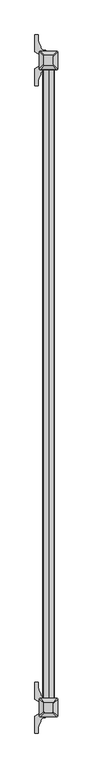
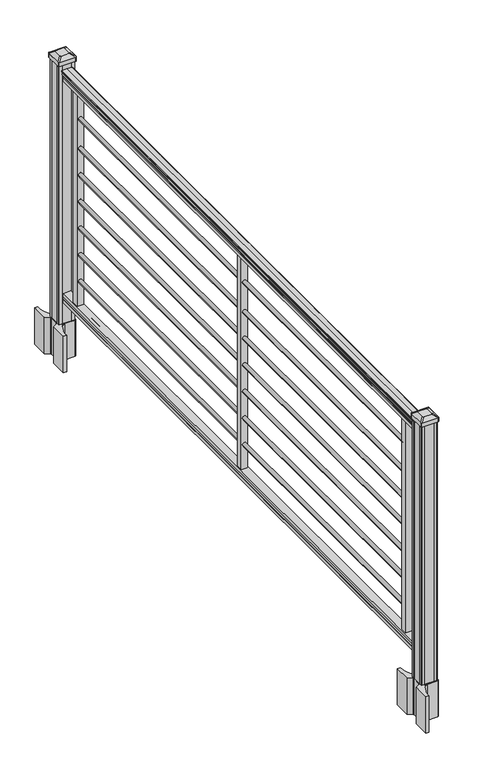
"""IFC4 building model written with IfcOpenShell, lengths in millimetres: railing geometry."""

from ifc_helpers import new_model, si_unit, point, frame, frame_2d, origin, origin_with_axes, place, context, project, spatial, polyline, circle_curve, trimmed, segment, composite_curve, outline, extrude, source, transform, mapped, element, save
from ifc_brep_helpers import plane_surface, extruded_surface, advanced_brep


def railing_12c64a03(model_context):
    return source(origin(), model_context, "Body", "SolidModel", [
        extrude(outline(composite_curve([segment(polyline([(1043.8143297, 3404.2080205), (1045.702412, 3404.2080205)]), True, "CONTINUOUS"), segment(trimmed(circle_curve(frame_2d((1051.4606383, 3397.8932672)), 8.545951), [point((1045.702412, 3404.2080205))], [point((1047.2646695, 3405.3382068))], False, "CARTESIAN"), True, "CONTINUOUS"), segment(trimmed(circle_curve(frame_2d((1050.8736577, 3398.3303302)), 7.882584), [point((1047.2646695, 3405.3382068))], [point((1054.4826458, 3405.3382068))], False, "CARTESIAN"), True, "CONTINUOUS"), segment(trimmed(circle_curve(frame_2d((1056.7212527, 3408.8436543)), 4.1592695), [point((1054.4826458, 3405.3382068))], [point((1056.9160812, 3404.6889504))], True, "CARTESIAN"), True, "CONTINUOUS"), segment(trimmed(circle_curve(frame_2d((1056.6608864, 3410.1309609)), 5.4479907), [point((1056.9160812, 3404.6889504))], [point((1061.2462083, 3407.1889504))], True, "CARTESIAN"), True, "CONTINUOUS"), segment(trimmed(circle_curve(frame_2d((1061.243395, 3408.8978025)), 1.7088543), [point((1061.2462083, 3407.1889504))], [point((1062.9257972, 3408.5982929))], True, "CARTESIAN"), True, "CONTINUOUS"), segment(trimmed(circle_curve(frame_2d((1064.0305318, 3407.2809024)), 1.7192895), [point((1062.9257972, 3408.5982929))], [point((1064.0305318, 3409.0001919))], False, "CARTESIAN"), True, "CONTINUOUS"), segment(polyline([(1064.0305318, 3409.0001919), (1065.3708158, 3409.0001918)]), True, "CONTINUOUS"), segment(trimmed(circle_curve(frame_2d((1065.3708158, 3407.4467446)), 1.5534472), [point((1065.3708158, 3409.0001918))], [point((1066.924263, 3407.4467446))], False, "CARTESIAN"), True, "CONTINUOUS"), segment(polyline([(1066.924263, 3407.4467446), (1066.924263, 3386.7751918), (1066.924263, 3366.103639)]), True, "CONTINUOUS"), segment(trimmed(circle_curve(frame_2d((1065.3708158, 3366.103639)), 1.5534472), [point((1066.924263, 3366.103639))], [point((1065.3708158, 3364.5501918))], False, "CARTESIAN"), True, "CONTINUOUS"), segment(polyline([(1065.3708158, 3364.5501918), (1064.0305318, 3364.5501918)]), True, "CONTINUOUS"), segment(trimmed(circle_curve(frame_2d((1064.0305318, 3366.2694812)), 1.7192895), [point((1064.0305318, 3364.5501918))], [point((1062.9257972, 3364.9520907))], False, "CARTESIAN"), True, "CONTINUOUS"), segment(trimmed(circle_curve(frame_2d((1061.243395, 3364.6525811)), 1.7088543), [point((1062.9257972, 3364.9520907))], [point((1061.2462083, 3366.3614332))], True, "CARTESIAN"), True, "CONTINUOUS"), segment(trimmed(circle_curve(frame_2d((1056.6608864, 3363.4194227)), 5.4479907), [point((1061.2462083, 3366.3614332))], [point((1056.9160812, 3368.8614332))], True, "CARTESIAN"), True, "CONTINUOUS"), segment(trimmed(circle_curve(frame_2d((1056.7212527, 3364.7067292)), 4.1592695), [point((1056.9160812, 3368.8614332))], [point((1054.4826458, 3368.2121768))], True, "CARTESIAN"), True, "CONTINUOUS"), segment(trimmed(circle_curve(frame_2d((1050.8736577, 3375.2200534)), 7.882584), [point((1054.4826458, 3368.2121768))], [point((1047.2646695, 3368.2121768))], False, "CARTESIAN"), True, "CONTINUOUS"), segment(trimmed(circle_curve(frame_2d((1051.4606383, 3375.6571163)), 8.545951), [point((1047.2646695, 3368.2121768))], [point((1045.702412, 3369.3423631))], False, "CARTESIAN"), True, "CONTINUOUS"), segment(polyline([(1045.702412, 3369.3423631), (1043.8143297, 3369.3423631)]), True, "CONTINUOUS"), segment(trimmed(circle_curve(frame_2d((1043.8143297, 3370.6292774)), 1.2869144), [point((1043.8143297, 3369.3423631))], [point((1043.8143297, 3371.9161918))], False, "CARTESIAN"), True, "CONTINUOUS"), segment(polyline([(1043.8143297, 3371.9161918), (1033.3148283, 3371.9161918), (1032.2988283, 3370.9001918), (1019.81, 3370.9001918), (1019.81, 3402.6501918), (1032.141013, 3402.6501918), (1033.157013, 3401.6341918), (1043.8143297, 3401.6341918)]), True, "CONTINUOUS"), segment(trimmed(circle_curve(frame_2d((1043.8143297, 3402.9211062)), 1.2869144), [point((1043.8143297, 3401.6341918))], [point((1043.8143297, 3404.2080205))], False, "CARTESIAN"), True, "CONTINUOUS")], self_intersect=False)), frame((0.0, -141490.2908968, 0.0), z_axis=(0.0, 1.0, 0.0), x_axis=(0.0, 0.0, 1.0)), (0.0, 0.0, 1.0), 2438.4),
        extrude(outline(polyline([(100.9461976, 3402.6876787), (102.2466183, 3401.6716787), (112.6061717, 3401.6716787), (113.9544492, 3402.6876787), (126.4878781, 3402.6876787), (126.4878781, 3370.9376787), (113.9378024, 3370.9376787), (112.5895248, 3371.9536787), (102.2778283, 3371.9536787), (100.9295508, 3370.9376787), (88.392, 3370.9376787), (88.392, 3402.6876787), (100.9461976, 3402.6876787)])), frame((0.0, -141490.2908968, 0.0), z_axis=(0.0, 1.0, 0.0), x_axis=(0.0, 0.0, 1.0)), (0.0, 0.0, 1.0), 2438.4),
        extrude(outline(polyline([(3399.4751918, -139143.8388968), (3374.0751918, -139143.8388968), (3374.0751918, -139118.4388968), (3399.4751918, -139118.4388968), (3399.4751918, -139143.8388968)])), frame((0.0, 0.0, 126.4878781), z_axis=(0.0, 0.0, 1.0), x_axis=(1.0, 0.0, 0.0)), (0.0, 0.0, 1.0), 893.3221219),
        extrude(outline(composite_curve([segment(trimmed(circle_curve(frame_2d((913.5068781, 3386.4650299)), 8.001), [point((913.5068781, 3378.4640299))], [point((913.5068781, 3394.4660299))], False, "CARTESIAN"), True, "CONTINUOUS"), segment(trimmed(circle_curve(frame_2d((913.5068781, 3386.4650299)), 8.001), [point((913.5068781, 3394.4660299))], [point((913.5068781, 3378.4640299))], False, "CARTESIAN"), True, "CONTINUOUS")], self_intersect=False)), frame((0.0, -140256.3588968, 0.0), z_axis=(0.0, 1.0, 0.0), x_axis=(0.0, 0.0, 1.0)), (0.0, 0.0, 1.0), 1117.6),
        extrude(outline(composite_curve([segment(trimmed(circle_curve(frame_2d((789.0468781, 3386.4650299)), 8.001), [point((789.0468781, 3378.4640299))], [point((789.0468781, 3394.4660299))], False, "CARTESIAN"), True, "CONTINUOUS"), segment(trimmed(circle_curve(frame_2d((789.0468781, 3386.4650299)), 8.001), [point((789.0468781, 3394.4660299))], [point((789.0468781, 3378.4640299))], False, "CARTESIAN"), True, "CONTINUOUS")], self_intersect=False)), frame((0.0, -140256.3588968, 0.0), z_axis=(0.0, 1.0, 0.0), x_axis=(0.0, 0.0, 1.0)), (0.0, 0.0, 1.0), 1117.6),
        extrude(outline(composite_curve([segment(trimmed(circle_curve(frame_2d((677.2868781, 3386.4650299)), 8.001), [point((677.2868781, 3378.4640299))], [point((677.2868781, 3394.4660299))], False, "CARTESIAN"), True, "CONTINUOUS"), segment(trimmed(circle_curve(frame_2d((677.2868781, 3386.4650299)), 8.001), [point((677.2868781, 3394.4660299))], [point((677.2868781, 3378.4640299))], False, "CARTESIAN"), True, "CONTINUOUS")], self_intersect=False)), frame((0.0, -140256.3588968, 0.0), z_axis=(0.0, 1.0, 0.0), x_axis=(0.0, 0.0, 1.0)), (0.0, 0.0, 1.0), 1117.6),
        extrude(outline(composite_curve([segment(trimmed(circle_curve(frame_2d((565.5268781, 3386.4650299)), 8.001), [point((565.5268781, 3378.4640299))], [point((565.5268781, 3394.4660299))], False, "CARTESIAN"), True, "CONTINUOUS"), segment(trimmed(circle_curve(frame_2d((565.5268781, 3386.4650299)), 8.001), [point((565.5268781, 3394.4660299))], [point((565.5268781, 3378.4640299))], False, "CARTESIAN"), True, "CONTINUOUS")], self_intersect=False)), frame((0.0, -140256.3588968, 0.0), z_axis=(0.0, 1.0, 0.0), x_axis=(0.0, 0.0, 1.0)), (0.0, 0.0, 1.0), 1117.6),
        extrude(outline(composite_curve([segment(trimmed(circle_curve(frame_2d((453.7668781, 3386.4650299)), 8.001), [point((453.7668781, 3378.4640299))], [point((453.7668781, 3394.4660299))], False, "CARTESIAN"), True, "CONTINUOUS"), segment(trimmed(circle_curve(frame_2d((453.7668781, 3386.4650299)), 8.001), [point((453.7668781, 3394.4660299))], [point((453.7668781, 3378.4640299))], False, "CARTESIAN"), True, "CONTINUOUS")], self_intersect=False)), frame((0.0, -140256.3588968, 0.0), z_axis=(0.0, 1.0, 0.0), x_axis=(0.0, 0.0, 1.0)), (0.0, 0.0, 1.0), 1117.6),
        extrude(outline(composite_curve([segment(trimmed(circle_curve(frame_2d((342.0068781, 3386.4650299)), 8.001), [point((342.0068781, 3378.4640299))], [point((342.0068781, 3394.4660299))], False, "CARTESIAN"), True, "CONTINUOUS"), segment(trimmed(circle_curve(frame_2d((342.0068781, 3386.4650299)), 8.001), [point((342.0068781, 3394.4660299))], [point((342.0068781, 3378.4640299))], False, "CARTESIAN"), True, "CONTINUOUS")], self_intersect=False)), frame((0.0, -140256.3588968, 0.0), z_axis=(0.0, 1.0, 0.0), x_axis=(0.0, 0.0, 1.0)), (0.0, 0.0, 1.0), 1117.6),
        extrude(outline(composite_curve([segment(trimmed(circle_curve(frame_2d((230.2468781, 3386.4650299)), 8.001), [point((230.2468781, 3378.4640299))], [point((230.2468781, 3394.4660299))], False, "CARTESIAN"), True, "CONTINUOUS"), segment(trimmed(circle_curve(frame_2d((230.2468781, 3386.4650299)), 8.001), [point((230.2468781, 3394.4660299))], [point((230.2468781, 3378.4640299))], False, "CARTESIAN"), True, "CONTINUOUS")], self_intersect=False)), frame((0.0, -140256.3588968, 0.0), z_axis=(0.0, 1.0, 0.0), x_axis=(0.0, 0.0, 1.0)), (0.0, 0.0, 1.0), 1117.6),
        extrude(outline(polyline([(3399.4751918, -140276.6788968), (3374.0751918, -140276.6788968), (3374.0751918, -140251.2788968), (3399.4751918, -140251.2788968), (3399.4751918, -140276.6788968)])), frame((0.0, 0.0, 126.4878781), z_axis=(0.0, 0.0, 1.0), x_axis=(1.0, 0.0, 0.0)), (0.0, 0.0, 1.0), 893.3221219),
        extrude(outline(composite_curve([segment(trimmed(circle_curve(frame_2d((913.5068781, 3386.4650299)), 8.001), [point((913.5068781, 3378.4640299))], [point((913.5068781, 3394.4660299))], False, "CARTESIAN"), True, "CONTINUOUS"), segment(trimmed(circle_curve(frame_2d((913.5068781, 3386.4650299)), 8.001), [point((913.5068781, 3394.4660299))], [point((913.5068781, 3378.4640299))], False, "CARTESIAN"), True, "CONTINUOUS")], self_intersect=False)), frame((0.0, -141389.1988968, 0.0), z_axis=(0.0, 1.0, 0.0), x_axis=(0.0, 0.0, 1.0)), (0.0, 0.0, 1.0), 1117.6),
        extrude(outline(composite_curve([segment(trimmed(circle_curve(frame_2d((789.0468781, 3386.4650299)), 8.001), [point((789.0468781, 3378.4640299))], [point((789.0468781, 3394.4660299))], False, "CARTESIAN"), True, "CONTINUOUS"), segment(trimmed(circle_curve(frame_2d((789.0468781, 3386.4650299)), 8.001), [point((789.0468781, 3394.4660299))], [point((789.0468781, 3378.4640299))], False, "CARTESIAN"), True, "CONTINUOUS")], self_intersect=False)), frame((0.0, -141389.1988968, 0.0), z_axis=(0.0, 1.0, 0.0), x_axis=(0.0, 0.0, 1.0)), (0.0, 0.0, 1.0), 1117.6),
        extrude(outline(composite_curve([segment(trimmed(circle_curve(frame_2d((677.2868781, 3386.4650299)), 8.001), [point((677.2868781, 3378.4640299))], [point((677.2868781, 3394.4660299))], False, "CARTESIAN"), True, "CONTINUOUS"), segment(trimmed(circle_curve(frame_2d((677.2868781, 3386.4650299)), 8.001), [point((677.2868781, 3394.4660299))], [point((677.2868781, 3378.4640299))], False, "CARTESIAN"), True, "CONTINUOUS")], self_intersect=False)), frame((0.0, -141389.1988968, 0.0), z_axis=(0.0, 1.0, 0.0), x_axis=(0.0, 0.0, 1.0)), (0.0, 0.0, 1.0), 1117.6),
        extrude(outline(composite_curve([segment(trimmed(circle_curve(frame_2d((565.5268781, 3386.4650299)), 8.001), [point((565.5268781, 3378.4640299))], [point((565.5268781, 3394.4660299))], False, "CARTESIAN"), True, "CONTINUOUS"), segment(trimmed(circle_curve(frame_2d((565.5268781, 3386.4650299)), 8.001), [point((565.5268781, 3394.4660299))], [point((565.5268781, 3378.4640299))], False, "CARTESIAN"), True, "CONTINUOUS")], self_intersect=False)), frame((0.0, -141389.1988968, 0.0), z_axis=(0.0, 1.0, 0.0), x_axis=(0.0, 0.0, 1.0)), (0.0, 0.0, 1.0), 1117.6),
        extrude(outline(composite_curve([segment(trimmed(circle_curve(frame_2d((453.7668781, 3386.4650299)), 8.001), [point((453.7668781, 3378.4640299))], [point((453.7668781, 3394.4660299))], False, "CARTESIAN"), True, "CONTINUOUS"), segment(trimmed(circle_curve(frame_2d((453.7668781, 3386.4650299)), 8.001), [point((453.7668781, 3394.4660299))], [point((453.7668781, 3378.4640299))], False, "CARTESIAN"), True, "CONTINUOUS")], self_intersect=False)), frame((0.0, -141389.1988968, 0.0), z_axis=(0.0, 1.0, 0.0), x_axis=(0.0, 0.0, 1.0)), (0.0, 0.0, 1.0), 1117.6),
        extrude(outline(composite_curve([segment(trimmed(circle_curve(frame_2d((342.0068781, 3386.4650299)), 8.001), [point((342.0068781, 3378.4640299))], [point((342.0068781, 3394.4660299))], False, "CARTESIAN"), True, "CONTINUOUS"), segment(trimmed(circle_curve(frame_2d((342.0068781, 3386.4650299)), 8.001), [point((342.0068781, 3394.4660299))], [point((342.0068781, 3378.4640299))], False, "CARTESIAN"), True, "CONTINUOUS")], self_intersect=False)), frame((0.0, -141389.1988968, 0.0), z_axis=(0.0, 1.0, 0.0), x_axis=(0.0, 0.0, 1.0)), (0.0, 0.0, 1.0), 1117.6),
        extrude(outline(composite_curve([segment(trimmed(circle_curve(frame_2d((230.2468781, 3386.4650299)), 8.001), [point((230.2468781, 3378.4640299))], [point((230.2468781, 3394.4660299))], False, "CARTESIAN"), True, "CONTINUOUS"), segment(trimmed(circle_curve(frame_2d((230.2468781, 3386.4650299)), 8.001), [point((230.2468781, 3394.4660299))], [point((230.2468781, 3378.4640299))], False, "CARTESIAN"), True, "CONTINUOUS")], self_intersect=False)), frame((0.0, -141389.1988968, 0.0), z_axis=(0.0, 1.0, 0.0), x_axis=(0.0, 0.0, 1.0)), (0.0, 0.0, 1.0), 1117.6),
        extrude(outline(polyline([(3399.4751918, -141409.5188968), (3374.0751918, -141409.5188968), (3374.0751918, -141384.1188968), (3399.4751918, -141384.1188968), (3399.4751918, -141409.5188968)])), frame((0.0, 0.0, 126.4878781), z_axis=(0.0, 0.0, 1.0), x_axis=(1.0, 0.0, 0.0)), (0.0, 0.0, 1.0), 893.3221219),
        extrude(outline(composite_curve([segment(polyline([(3419.8269418, -139037.2729917), (3421.4144418, -139038.0349917), (3421.4144418, -139051.5659198), (3418.2002147, -139054.7801468), (3366.5195439, -139054.7801468), (3366.5195439, -139055.7008968), (3370.8698751, -139055.7008968), (3370.8698751, -139057.1551515), (3365.7853454, -139057.1551515), (3365.7853454, -139058.4391753), (3373.5760575, -139058.4391753)]), True, "CONTINUOUS"), segment(trimmed(circle_curve(frame_2d((3373.5760575, -139075.1823852)), 16.7432099), [point((3373.5760575, -139058.4391753))], [point((3356.9539352, -139073.1723785))], True, "CARTESIAN"), True, "CONTINUOUS"), segment(polyline([(3356.9539352, -139073.1723785), (3349.238491, -139090.207717)]), True, "CONTINUOUS"), segment(trimmed(circle_curve(frame_2d((3394.3392543, -139106.4797666)), 47.9464123), [point((3349.238491, -139090.207717))], [point((3346.392842, -139106.4797666))], True, "CARTESIAN"), True, "CONTINUOUS"), segment(polyline([(3346.392842, -139106.4797666), (3346.392842, -139118.4885062), (3334.1892543, -139118.4885062), (3334.1892543, -139053.1926468), (3352.1359418, -139041.6162305), (3352.1359418, -139038.0349917), (3353.7234418, -139037.2729917), (3353.7234418, -139003.008802), (3352.1359418, -139002.246802), (3352.1359418, -138998.6655632), (3334.1892543, -138987.0891468), (3334.1892543, -138921.7932875), (3346.392842, -138921.7932875), (3346.392842, -138933.802027)]), True, "CONTINUOUS"), segment(trimmed(circle_curve(frame_2d((3394.3392543, -138933.802027)), 47.9464123), [point((3346.392842, -138933.802027))], [point((3349.238491, -138950.0740767))], True, "CARTESIAN"), True, "CONTINUOUS"), segment(polyline([(3349.238491, -138950.0740767), (3356.9539352, -138967.1094151)]), True, "CONTINUOUS"), segment(trimmed(circle_curve(frame_2d((3373.5760575, -138965.0994085)), 16.7432099), [point((3356.9539352, -138967.1094151))], [point((3373.5760575, -138981.8426183))], True, "CARTESIAN"), True, "CONTINUOUS"), segment(polyline([(3373.5760575, -138981.8426183), (3375.2433298, -138981.8426183), (3375.2433298, -138983.1266421), (3370.8698751, -138983.1266421), (3370.8698751, -138984.5808968), (3366.5195439, -138984.5808968), (3366.5195439, -138985.5016468), (3418.2002147, -138985.5016468), (3421.4144418, -138988.7158739), (3421.4144418, -139002.246802), (3419.8269418, -139003.008802), (3419.8269418, -139037.2729917)]), True, "CONTINUOUS")], self_intersect=False), holes=[polyline([(3355.0251918, -138989.9783968), (3355.0251918, -139050.3033968), (3356.6126918, -139051.8908968), (3384.0119744, -139051.8908968), (3416.9376918, -139051.8908968), (3418.5251918, -139050.3033968), (3418.5251918, -138989.9783968), (3416.9376918, -138988.3908968), (3384.0119744, -138988.3908968), (3356.6126918, -138988.3908968), (3355.0251918, -138989.9783968)])]), frame((0.0, 0.0, -152.4), z_axis=(0.0, 0.0, 1.0), x_axis=(1.0, 0.0, 0.0)), (0.0, 0.0, 1.0), 152.4),
        advanced_brep(
        [(3370.9001918, -139039.1908968, 1118.235), (3402.6501918, -139039.1908968, 1118.235), (3405.8251918, -139036.0158968, 1118.235), (3405.8251918, -139004.2658968, 1118.235), (3402.6501918, -139001.0908968, 1118.235), (3370.9001918, -139001.0908968, 1118.235), (3367.7251918, -139004.2658968, 1118.235), (3367.7251918, -139036.0158968, 1118.235), (3354.3901918, -139055.7008968, 1106.932), (3351.2151918, -139052.5258968, 1106.932), (3351.2151918, -138987.7558968, 1106.932), (3354.3901918, -138984.5808968, 1106.932), (3419.1601918, -138984.5808968, 1106.932), (3422.3351918, -138987.7558968, 1106.932), (3422.3351918, -139052.5258968, 1106.932), (3419.1601918, -139055.7008968, 1106.932)],
        [
            (0, 1),
            (1, 2, circle_curve(frame((3402.6501918, -139036.0158968, 1118.235), z_axis=(0.0, 0.0, 1.0), x_axis=(0.0, 1.0, 0.0)), 3.175)),
            (2, 3),
            (3, 4, circle_curve(frame((3402.6501918, -139004.2658968, 1118.235), z_axis=(0.0, 0.0, 1.0), x_axis=(0.0, 1.0, 0.0)), 3.175)),
            (4, 5),
            (5, 6, circle_curve(frame((3370.9001918, -139004.2658968, 1118.235), z_axis=(0.0, 0.0, 1.0), x_axis=(0.0, 1.0, 0.0)), 3.175)),
            (6, 7),
            (7, 0, circle_curve(frame((3370.9001918, -139036.0158968, 1118.235), z_axis=(0.0, 0.0, 1.0), x_axis=(0.0, 1.0, 0.0)), 3.175)),
            (8, 9, circle_curve(frame((3354.3901918, -139052.5258968, 1106.932), z_axis=(0.0, 0.0, -1.0), x_axis=(0.0, 1.0, 0.0)), 3.175)),
            (9, 10),
            (10, 11, circle_curve(frame((3354.3901918, -138987.7558968, 1106.932), z_axis=(0.0, 0.0, -1.0), x_axis=(0.0, 1.0, 0.0)), 3.175)),
            (11, 12),
            (12, 13, circle_curve(frame((3419.1601918, -138987.7558968, 1106.932), z_axis=(0.0, 0.0, -1.0), x_axis=(0.0, 1.0, 0.0)), 3.175)),
            (13, 14),
            (14, 15, circle_curve(frame((3419.1601918, -139052.5258968, 1106.932), z_axis=(0.0, 0.0, -1.0), x_axis=(0.0, 1.0, 0.0)), 3.175)),
            (15, 8),
            (8, 0),
            (7, 9),
            (6, 10),
            (5, 11),
            (4, 12),
            (3, 13),
            (2, 14),
            (1, 15),
        ],
        [
            plane_surface(frame((3386.7751918, -139020.1408968, 1118.235), z_axis=(0.0, 0.0, 1.0), x_axis=(-1.0, 0.0, 0.0))),
            plane_surface(frame((3386.7751918, -139020.1408968, 1106.932), z_axis=(0.0, 0.0, -1.0), x_axis=(-1.0, 0.0, 0.0))),
            extruded_surface(trimmed(circle_curve(frame((3370.9001918, -139036.0158968, 1118.235), z_axis=(0.0, 0.0, -1.0), x_axis=(0.0, 1.0, 0.0)), 3.175), [point((3370.9001918, -139039.1908968, 1118.235))], [point((3367.7251918, -139036.0158968, 1118.235))], True, "CARTESIAN"), (-16.509999999999764, -16.510000000009313, -11.302999999999884), 25.940663233624097),
            plane_surface(frame((3351.2151918, -139020.1408968, 1106.932), z_axis=(-0.5649114395471265, 0.0, 0.8251515409116033), x_axis=(0.0, 1.0, 0.0))),
            extruded_surface(trimmed(circle_curve(frame((3370.9001918, -139004.2658968, 1118.235), z_axis=(0.0, 0.0, -1.0), x_axis=(0.0, 1.0, 0.0)), 3.175), [point((3367.7251918, -139004.2658968, 1118.235))], [point((3370.9001918, -139001.0908968, 1118.235))], True, "CARTESIAN"), (-16.509999999999764, 16.510000000009313, -11.302999999999884), 25.940663233624097),
            plane_surface(frame((3386.7751918, -138984.5808968, 1106.932), z_axis=(0.0, 0.564911439547091, 0.8251515409116277), x_axis=(1.0, 0.0, 0.0))),
            extruded_surface(trimmed(circle_curve(frame((3402.6501918, -139004.2658968, 1118.235), z_axis=(0.0, 0.0, -1.0), x_axis=(0.0, 1.0, 0.0)), 3.175), [point((3402.6501918, -139001.0908968, 1118.235))], [point((3405.8251918, -139004.2658968, 1118.235))], True, "CARTESIAN"), (16.51000000000022, 16.510000000009313, -11.302999999999884), 25.940663233624388),
            plane_surface(frame((3422.3351918, -139020.1408968, 1106.932), z_axis=(0.5649114395470568, 0.0, 0.825151540911651), x_axis=(0.0, -1.0, 0.0))),
            extruded_surface(trimmed(circle_curve(frame((3402.6501918, -139036.0158968, 1118.235), z_axis=(0.0, 0.0, -1.0), x_axis=(0.0, 1.0, 0.0)), 3.175), [point((3405.8251918, -139036.0158968, 1118.235))], [point((3402.6501918, -139039.1908968, 1118.235))], True, "CARTESIAN"), (16.51000000000022, -16.510000000009313, -11.302999999999884), 25.940663233624388),
            plane_surface(frame((3386.7751918, -139055.7008968, 1106.932), z_axis=(0.0, -0.5649114395471048, 0.8251515409116182), x_axis=(-1.0, 0.0, 0.0))),
        ],
        [
            (0, [[1, 2, 3, 4, 5, 6, 7, 8]]),
            (1, [[9, 10, 11, 12, 13, 14, 15, 16]]),
            (2, [[17, -8, 18, -9]]),
            (3, [[-18, -7, 19, -10]]),
            (4, [[-19, -6, 20, -11]]),
            (5, [[-20, -5, 21, -12]]),
            (6, [[-21, -4, 22, -13]]),
            (7, [[-22, -3, 23, -14]]),
            (8, [[-23, -2, 24, -15]]),
            (9, [[-24, -1, -17, -16]]),
        ],
    ),
        extrude(outline(composite_curve([segment(trimmed(circle_curve(frame_2d((3354.3901918, -139052.5258968)), 3.175), [point((3354.3901918, -139055.7008968))], [point((3351.2151918, -139052.5258968))], False, "CARTESIAN"), True, "CONTINUOUS"), segment(polyline([(3351.2151918, -139052.5258968), (3351.2151918, -138987.7558968)]), True, "CONTINUOUS"), segment(trimmed(circle_curve(frame_2d((3354.3901918, -138987.7558968)), 3.175), [point((3351.2151918, -138987.7558968))], [point((3354.3901918, -138984.5808968))], False, "CARTESIAN"), True, "CONTINUOUS"), segment(polyline([(3354.3901918, -138984.5808968), (3419.1601918, -138984.5808968)]), True, "CONTINUOUS"), segment(trimmed(circle_curve(frame_2d((3419.1601918, -138987.7558968)), 3.175), [point((3419.1601918, -138984.5808968))], [point((3422.3351918, -138987.7558968))], False, "CARTESIAN"), True, "CONTINUOUS"), segment(polyline([(3422.3351918, -138987.7558968), (3422.3351918, -139052.5258968)]), True, "CONTINUOUS"), segment(trimmed(circle_curve(frame_2d((3419.1601918, -139052.5258968)), 3.175), [point((3422.3351918, -139052.5258968))], [point((3419.1601918, -139055.7008968))], False, "CARTESIAN"), True, "CONTINUOUS"), segment(polyline([(3419.1601918, -139055.7008968), (3354.3901918, -139055.7008968)]), True, "CONTINUOUS")], self_intersect=False)), frame((0.0, 0.0, 1089.66), z_axis=(0.0, 0.0, 1.0), x_axis=(1.0, 0.0, 0.0)), (0.0, 0.0, 1.0), 17.272),
        extrude(outline(polyline([(3356.6126918, -139051.8908968), (3355.0251918, -139050.3033968), (3355.0251918, -139039.9528968), (3356.6126918, -139039.1908968), (3356.6126918, -139001.0908968), (3355.0251918, -139000.3288968), (3355.0251918, -138989.9783968), (3356.6126918, -138988.3908968), (3366.9631918, -138988.3908968), (3367.7251918, -138989.9783968), (3405.8251918, -138989.9783968), (3406.5871918, -138988.3908968), (3416.9376918, -138988.3908968), (3418.5251918, -138989.9783968), (3418.5251918, -139000.3288968), (3416.9376918, -139001.0908968), (3416.9376918, -139039.1908968), (3418.5251918, -139039.9528968), (3418.5251918, -139050.3033968), (3416.9376918, -139051.8908968), (3406.5871918, -139051.8908968), (3405.8251918, -139050.3033968), (3367.7251918, -139050.3033968), (3366.9631918, -139051.8908968), (3356.6126918, -139051.8908968)])), origin_with_axes(), (0.0, 0.0, 1.0), 1089.66),
        extrude(outline(composite_curve([segment(polyline([(3419.8269418, -141539.1729917), (3421.4144418, -141539.9349917), (3421.4144418, -141553.4659198), (3418.2002147, -141556.6801468), (3366.5195439, -141556.6801468), (3366.5195439, -141557.6008968), (3370.8698751, -141557.6008968), (3370.8698751, -141559.0551515), (3365.7853454, -141559.0551515), (3365.7853454, -141560.3391753), (3373.5760575, -141560.3391753)]), True, "CONTINUOUS"), segment(trimmed(circle_curve(frame_2d((3373.5760575, -141577.0823852)), 16.7432099), [point((3373.5760575, -141560.3391753))], [point((3356.9539352, -141575.0723785))], True, "CARTESIAN"), True, "CONTINUOUS"), segment(polyline([(3356.9539352, -141575.0723785), (3349.238491, -141592.107717)]), True, "CONTINUOUS"), segment(trimmed(circle_curve(frame_2d((3394.3392543, -141608.3797666)), 47.9464123), [point((3349.238491, -141592.107717))], [point((3346.392842, -141608.3797666))], True, "CARTESIAN"), True, "CONTINUOUS"), segment(polyline([(3346.392842, -141608.3797666), (3346.392842, -141620.3885062), (3334.1892543, -141620.3885062), (3334.1892543, -141555.0926468), (3352.1359418, -141543.5162305), (3352.1359418, -141539.9349917), (3353.7234418, -141539.1729917), (3353.7234418, -141504.908802), (3352.1359418, -141504.146802), (3352.1359418, -141500.5655632), (3334.1892543, -141488.9891468), (3334.1892543, -141423.6932875), (3346.392842, -141423.6932875), (3346.392842, -141435.702027)]), True, "CONTINUOUS"), segment(trimmed(circle_curve(frame_2d((3394.3392543, -141435.702027)), 47.9464123), [point((3346.392842, -141435.702027))], [point((3349.238491, -141451.9740767))], True, "CARTESIAN"), True, "CONTINUOUS"), segment(polyline([(3349.238491, -141451.9740767), (3356.9539352, -141469.0094151)]), True, "CONTINUOUS"), segment(trimmed(circle_curve(frame_2d((3373.5760575, -141466.9994085)), 16.7432099), [point((3356.9539352, -141469.0094151))], [point((3373.5760575, -141483.7426183))], True, "CARTESIAN"), True, "CONTINUOUS"), segment(polyline([(3373.5760575, -141483.7426183), (3375.2433298, -141483.7426183), (3375.2433298, -141485.0266421), (3370.8698751, -141485.0266421), (3370.8698751, -141486.4808968), (3366.5195439, -141486.4808968), (3366.5195439, -141487.4016468), (3418.2002147, -141487.4016468), (3421.4144418, -141490.6158739), (3421.4144418, -141504.146802), (3419.8269418, -141504.908802), (3419.8269418, -141539.1729917)]), True, "CONTINUOUS")], self_intersect=False), holes=[polyline([(3355.0251918, -141491.8783968), (3355.0251918, -141552.2033968), (3356.6126918, -141553.7908968), (3384.0119744, -141553.7908968), (3416.9376918, -141553.7908968), (3418.5251918, -141552.2033968), (3418.5251918, -141491.8783968), (3416.9376918, -141490.2908968), (3384.0119744, -141490.2908968), (3356.6126918, -141490.2908968), (3355.0251918, -141491.8783968)])]), frame((0.0, 0.0, -152.4), z_axis=(0.0, 0.0, 1.0), x_axis=(1.0, 0.0, 0.0)), (0.0, 0.0, 1.0), 152.4),
        advanced_brep(
        [(3370.9001918, -141541.0908968, 1118.235), (3402.6501918, -141541.0908968, 1118.235), (3405.8251918, -141537.9158968, 1118.235), (3405.8251918, -141506.1658968, 1118.235), (3402.6501918, -141502.9908968, 1118.235), (3370.9001918, -141502.9908968, 1118.235), (3367.7251918, -141506.1658968, 1118.235), (3367.7251918, -141537.9158968, 1118.235), (3354.3901918, -141557.6008968, 1106.932), (3351.2151918, -141554.4258968, 1106.932), (3351.2151918, -141489.6558968, 1106.932), (3354.3901918, -141486.4808968, 1106.932), (3419.1601918, -141486.4808968, 1106.932), (3422.3351918, -141489.6558968, 1106.932), (3422.3351918, -141554.4258968, 1106.932), (3419.1601918, -141557.6008968, 1106.932)],
        [
            (0, 1),
            (1, 2, circle_curve(frame((3402.6501918, -141537.9158968, 1118.235), z_axis=(0.0, 0.0, 1.0), x_axis=(0.0, 1.0, 0.0)), 3.175)),
            (2, 3),
            (3, 4, circle_curve(frame((3402.6501918, -141506.1658968, 1118.235), z_axis=(0.0, 0.0, 1.0), x_axis=(0.0, 1.0, 0.0)), 3.175)),
            (4, 5),
            (5, 6, circle_curve(frame((3370.9001918, -141506.1658968, 1118.235), z_axis=(0.0, 0.0, 1.0), x_axis=(0.0, 1.0, 0.0)), 3.175)),
            (6, 7),
            (7, 0, circle_curve(frame((3370.9001918, -141537.9158968, 1118.235), z_axis=(0.0, 0.0, 1.0), x_axis=(0.0, 1.0, 0.0)), 3.175)),
            (8, 9, circle_curve(frame((3354.3901918, -141554.4258968, 1106.932), z_axis=(0.0, 0.0, -1.0), x_axis=(0.0, 1.0, 0.0)), 3.175)),
            (9, 10),
            (10, 11, circle_curve(frame((3354.3901918, -141489.6558968, 1106.932), z_axis=(0.0, 0.0, -1.0), x_axis=(0.0, 1.0, 0.0)), 3.175)),
            (11, 12),
            (12, 13, circle_curve(frame((3419.1601918, -141489.6558968, 1106.932), z_axis=(0.0, 0.0, -1.0), x_axis=(0.0, 1.0, 0.0)), 3.175)),
            (13, 14),
            (14, 15, circle_curve(frame((3419.1601918, -141554.4258968, 1106.932), z_axis=(0.0, 0.0, -1.0), x_axis=(0.0, 1.0, 0.0)), 3.175)),
            (15, 8),
            (8, 0),
            (7, 9),
            (6, 10),
            (5, 11),
            (4, 12),
            (3, 13),
            (2, 14),
            (1, 15),
        ],
        [
            plane_surface(frame((3386.7751918, -141522.0408968, 1118.235), z_axis=(0.0, 0.0, 1.0), x_axis=(-1.0, 0.0, 0.0))),
            plane_surface(frame((3386.7751918, -141522.0408968, 1106.932), z_axis=(0.0, 0.0, -1.0), x_axis=(-1.0, 0.0, 0.0))),
            extruded_surface(trimmed(circle_curve(frame((3370.9001918, -141537.9158968, 1118.235), z_axis=(0.0, 0.0, -1.0), x_axis=(0.0, 1.0, 0.0)), 3.175), [point((3370.9001918, -141541.0908968, 1118.235))], [point((3367.7251918, -141537.9158968, 1118.235))], True, "CARTESIAN"), (-16.509999999999764, -16.510000000009313, -11.302999999999884), 25.940663233624097),
            plane_surface(frame((3351.2151918, -141522.0408968, 1106.932), z_axis=(-0.5649114395471265, 0.0, 0.8251515409116033), x_axis=(0.0, 1.0, 0.0))),
            extruded_surface(trimmed(circle_curve(frame((3370.9001918, -141506.1658968, 1118.235), z_axis=(0.0, 0.0, -1.0), x_axis=(0.0, 1.0, 0.0)), 3.175), [point((3367.7251918, -141506.1658968, 1118.235))], [point((3370.9001918, -141502.9908968, 1118.235))], True, "CARTESIAN"), (-16.509999999999764, 16.510000000009313, -11.302999999999884), 25.940663233624097),
            plane_surface(frame((3386.7751918, -141486.4808968, 1106.932), z_axis=(0.0, 0.564911439547091, 0.8251515409116277), x_axis=(1.0, 0.0, 0.0))),
            extruded_surface(trimmed(circle_curve(frame((3402.6501918, -141506.1658968, 1118.235), z_axis=(0.0, 0.0, -1.0), x_axis=(0.0, 1.0, 0.0)), 3.175), [point((3402.6501918, -141502.9908968, 1118.235))], [point((3405.8251918, -141506.1658968, 1118.235))], True, "CARTESIAN"), (16.51000000000022, 16.510000000009313, -11.302999999999884), 25.940663233624388),
            plane_surface(frame((3422.3351918, -141522.0408968, 1106.932), z_axis=(0.5649114395470568, 0.0, 0.825151540911651), x_axis=(0.0, -1.0, 0.0))),
            extruded_surface(trimmed(circle_curve(frame((3402.6501918, -141537.9158968, 1118.235), z_axis=(0.0, 0.0, -1.0), x_axis=(0.0, 1.0, 0.0)), 3.175), [point((3405.8251918, -141537.9158968, 1118.235))], [point((3402.6501918, -141541.0908968, 1118.235))], True, "CARTESIAN"), (16.51000000000022, -16.510000000009313, -11.302999999999884), 25.940663233624388),
            plane_surface(frame((3386.7751918, -141557.6008968, 1106.932), z_axis=(0.0, -0.5649114395471048, 0.8251515409116182), x_axis=(-1.0, 0.0, 0.0))),
        ],
        [
            (0, [[1, 2, 3, 4, 5, 6, 7, 8]]),
            (1, [[9, 10, 11, 12, 13, 14, 15, 16]]),
            (2, [[17, -8, 18, -9]]),
            (3, [[-18, -7, 19, -10]]),
            (4, [[-19, -6, 20, -11]]),
            (5, [[-20, -5, 21, -12]]),
            (6, [[-21, -4, 22, -13]]),
            (7, [[-22, -3, 23, -14]]),
            (8, [[-23, -2, 24, -15]]),
            (9, [[-24, -1, -17, -16]]),
        ],
    ),
        extrude(outline(composite_curve([segment(trimmed(circle_curve(frame_2d((3354.3901918, -141554.4258968)), 3.175), [point((3354.3901918, -141557.6008968))], [point((3351.2151918, -141554.4258968))], False, "CARTESIAN"), True, "CONTINUOUS"), segment(polyline([(3351.2151918, -141554.4258968), (3351.2151918, -141489.6558968)]), True, "CONTINUOUS"), segment(trimmed(circle_curve(frame_2d((3354.3901918, -141489.6558968)), 3.175), [point((3351.2151918, -141489.6558968))], [point((3354.3901918, -141486.4808968))], False, "CARTESIAN"), True, "CONTINUOUS"), segment(polyline([(3354.3901918, -141486.4808968), (3419.1601918, -141486.4808968)]), True, "CONTINUOUS"), segment(trimmed(circle_curve(frame_2d((3419.1601918, -141489.6558968)), 3.175), [point((3419.1601918, -141486.4808968))], [point((3422.3351918, -141489.6558968))], False, "CARTESIAN"), True, "CONTINUOUS"), segment(polyline([(3422.3351918, -141489.6558968), (3422.3351918, -141554.4258968)]), True, "CONTINUOUS"), segment(trimmed(circle_curve(frame_2d((3419.1601918, -141554.4258968)), 3.175), [point((3422.3351918, -141554.4258968))], [point((3419.1601918, -141557.6008968))], False, "CARTESIAN"), True, "CONTINUOUS"), segment(polyline([(3419.1601918, -141557.6008968), (3354.3901918, -141557.6008968)]), True, "CONTINUOUS")], self_intersect=False)), frame((0.0, 0.0, 1089.66), z_axis=(0.0, 0.0, 1.0), x_axis=(1.0, 0.0, 0.0)), (0.0, 0.0, 1.0), 17.272),
        extrude(outline(polyline([(3356.6126918, -141553.7908968), (3355.0251918, -141552.2033968), (3355.0251918, -141541.8528968), (3356.6126918, -141541.0908968), (3356.6126918, -141502.9908968), (3355.0251918, -141502.2288968), (3355.0251918, -141491.8783968), (3356.6126918, -141490.2908968), (3366.9631918, -141490.2908968), (3367.7251918, -141491.8783968), (3405.8251918, -141491.8783968), (3406.5871918, -141490.2908968), (3416.9376918, -141490.2908968), (3418.5251918, -141491.8783968), (3418.5251918, -141502.2288968), (3416.9376918, -141502.9908968), (3416.9376918, -141541.0908968), (3418.5251918, -141541.8528968), (3418.5251918, -141552.2033968), (3416.9376918, -141553.7908968), (3406.5871918, -141553.7908968), (3405.8251918, -141552.2033968), (3367.7251918, -141552.2033968), (3366.9631918, -141553.7908968), (3356.6126918, -141553.7908968)])), origin_with_axes(), (0.0, 0.0, 1.0), 1089.66),
    ])


if __name__ == "__main__":
    model = new_model("IFC4")
    model_context = context("Model", 3, world=origin())
    ifc_project = project(units=[si_unit("LENGTHUNIT", "METRE", prefix="MILLI")], contexts=[model_context])
    site = spatial("IfcSite", under=ifc_project)
    building = spatial("IfcBuilding", under=site)
    placement = place(None, origin())
    railing_shape = railing_12c64a03(model_context)
    element("IfcRailing", 1, at=placement, inside=building, context=model_context, shape_type="MappedRepresentation", body=[
        mapped(railing_shape, transform((0.0, 0.0, 0.0), x_axis=(1.0, 0.0, 0.0), y_axis=(0.0, 1.0, 0.0), z_axis=(0.0, 0.0, 1.0))),
    ])
    save(model, "model.ifc")
